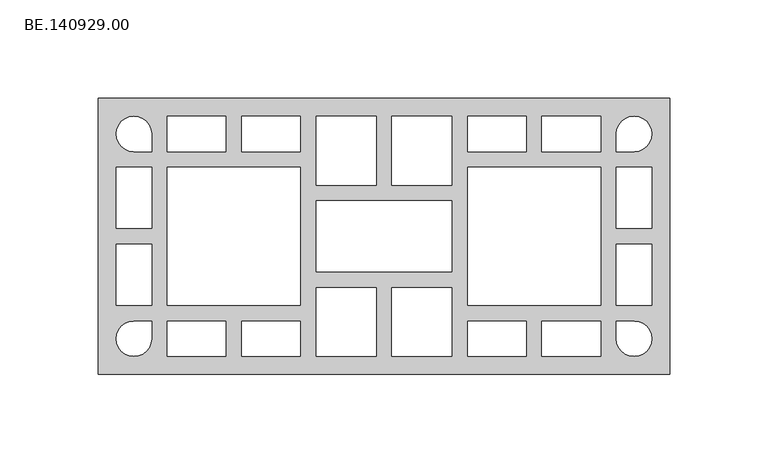
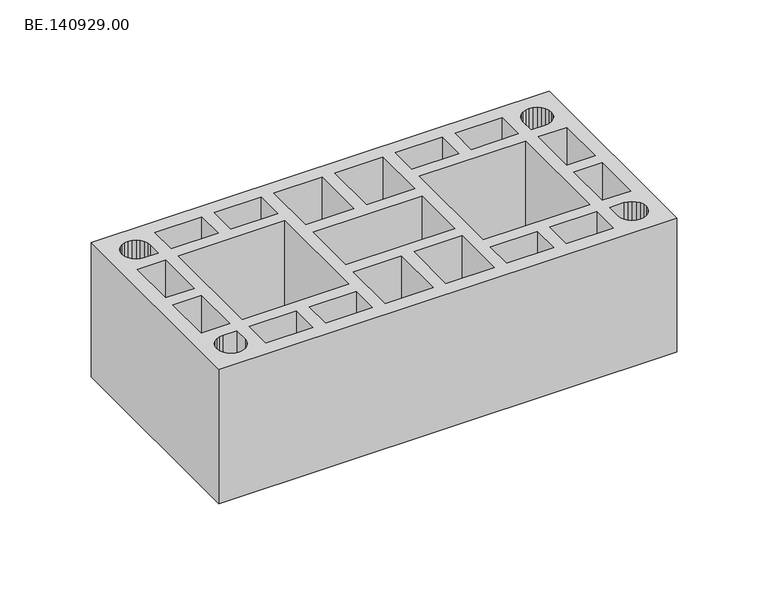
"""IFC4 building model written with IfcOpenShell, lengths in millimetres: proxy geometry, BE.140929.00."""

import ifcopenshell
import ifcopenshell.guid

model = None  # the IFC model being written
_history = None  # IfcOwnerHistory: only IFC2X3 demands one
_inside = {}  # id of a spatial element -> (the spatial element, [elements in it])
_under = {}  # id of a project, library or spatial element -> (it, [spatial elements below it])
_declared = {}  # id of a project -> (the project, [libraries it declares])
_typed = {}  # id of a type object -> (the type object, [elements of that type])
_made_of = {}  # id of a material, layer set ... -> (it, [elements and type objects made of it])


def new_model(schema):
    """Start an empty IFC model of exactly this schema.

    Asked for "IFC4X3", IfcOpenShell would pick the latest addendum, in which some entities
    have other attributes; the version numbers below select the first issue.
    IFC2X3 requires an IfcOwnerHistory on every rooted entity: one is made here for all.
    """
    global model, _history
    if schema == "IFC4X3":
        model = ifcopenshell.file(schema_version=(4, 3, 0, 0))
    else:
        model = ifcopenshell.file(schema=schema)
    _inside.clear()
    _under.clear()
    _declared.clear()
    _typed.clear()
    _made_of.clear()
    _history = None
    if model.schema == "IFC2X3":
        org = make("IfcOrganization", Name="unknown")
        user = make(
            "IfcPersonAndOrganization",
            ThePerson=make("IfcPerson", FamilyName="unknown"),
            TheOrganization=org,
        )
        app = make(
            "IfcApplication",
            ApplicationDeveloper=org,
            Version="unknown",
            ApplicationFullName="unknown",
            ApplicationIdentifier="unknown",
        )
        _history = make(
            "IfcOwnerHistory",
            OwningUser=user,
            OwningApplication=app,
            ChangeAction="ADDED",
            CreationDate=0,
        )
    return model


def make(cls, **values):
    """One entity of the class cls with the attributes given. An attribute that is None is left unset."""
    return model.create_entity(
        cls, **{name: value for name, value in values.items() if value is not None}
    )


def rooted(cls, **values):
    """An entity with a GlobalId (a new one), such as an element, a storey or a relation."""
    return make(cls, GlobalId=ifcopenshell.guid.new(), OwnerHistory=_history, **values)


def si_unit(unit_type, name, prefix=None):
    """IfcSIUnit, for example si_unit("LENGTHUNIT", "METRE", prefix="MILLI")."""
    return make("IfcSIUnit", UnitType=unit_type, Prefix=prefix, Name=name)


def assignment(units):
    """IfcUnitAssignment: the units of a project."""
    return None if units is None else make("IfcUnitAssignment", Units=units)


def point(xyz):
    """IfcCartesianPoint."""
    return None if xyz is None else make("IfcCartesianPoint", Coordinates=xyz)


def direction(xyz):
    """IfcDirection."""
    return None if xyz is None else make("IfcDirection", DirectionRatios=xyz)


def frame(location, z_axis=None, x_axis=None):
    """IfcAxis2Placement3D, a coordinate frame: its origin and axes. An axis left out is left unset."""
    return make(
        "IfcAxis2Placement3D",
        Location=point(location),
        Axis=direction(z_axis),
        RefDirection=direction(x_axis),
    )


def origin():
    """The frame at (0, 0, 0) with its axes left unset."""
    return frame((0.0, 0.0, 0.0))


def origin_with_axes():
    """The frame at (0, 0, 0) with the z axis (0, 0, 1) and the x axis (1, 0, 0) written out."""
    return frame((0.0, 0.0, 0.0), z_axis=(0.0, 0.0, 1.0), x_axis=(1.0, 0.0, 0.0))


def place(relative_to, where):
    """IfcLocalPlacement: puts the frame where relative to a parent placement (None: the world)."""
    return make(
        "IfcLocalPlacement", PlacementRelTo=relative_to, RelativePlacement=where
    )


def context(
    kind, dimensions, precision=None, world=None, true_north=None, identifier=None
):
    """IfcGeometricRepresentationContext, for example the 3D "Model" context."""
    return make(
        "IfcGeometricRepresentationContext",
        ContextIdentifier=identifier,
        ContextType=kind,
        CoordinateSpaceDimension=dimensions,
        Precision=precision,
        WorldCoordinateSystem=world,
        TrueNorth=true_north,
    )


def project(units=None, contexts=None):
    """IfcProject with its units and contexts."""
    return rooted(
        "IfcProject",
        Name="project",
        RepresentationContexts=contexts,
        UnitsInContext=assignment(units),
    )


def spatial(cls, under=None, at=None, **own):
    """A site, building, storey or space (cls), placed at a placement, below another one or the project."""
    s = rooted(cls, ObjectPlacement=at, **own)
    if under is not None:
        _under.setdefault(under.id(), (under, []))[1].append(s)
    return s


def polyline(points):
    """IfcPolyline through the points."""
    return make("IfcPolyline", Points=[point(p) for p in points])


def outline(outer, holes=None, kind="AREA"):
    """IfcArbitraryClosedProfileDef: a profile drawn as a closed curve; with holes, ...WithVoids."""
    if holes is None:
        return make("IfcArbitraryClosedProfileDef", ProfileType=kind, OuterCurve=outer)
    return make(
        "IfcArbitraryProfileDefWithVoids",
        ProfileType=kind,
        OuterCurve=outer,
        InnerCurves=holes,
    )


def extrude(swept, where, along, depth):
    """IfcExtrudedAreaSolid: the profile swept, set in the frame where, extruded along a direction by depth."""
    return make(
        "IfcExtrudedAreaSolid",
        SweptArea=swept,
        Position=where,
        ExtrudedDirection=direction(along),
        Depth=depth,
    )


def shape(context_of_items, identifier, shape_type, items):
    """IfcShapeRepresentation: the items that make up one representation, for example the "Body"."""
    return make(
        "IfcShapeRepresentation",
        ContextOfItems=context_of_items,
        RepresentationIdentifier=identifier,
        RepresentationType=shape_type,
        Items=items,
    )


def source(mapping_origin, context_of_items, identifier, shape_type, items):
    """IfcRepresentationMap: a shape defined once, which mapped items show again and again."""
    return make(
        "IfcRepresentationMap",
        MappingOrigin=mapping_origin,
        MappedRepresentation=shape(context_of_items, identifier, shape_type, items),
    )


def transform(
    local_origin,
    x_axis=None,
    y_axis=None,
    z_axis=None,
    scale=None,
    scale2=None,
    scale3=None,
    uniform=True,
):
    """IfcCartesianTransformationOperator3D, or its non-uniform kind. x_axis, y_axis, z_axis: its Axis1, 2, 3."""
    if uniform:
        return make(
            "IfcCartesianTransformationOperator3D",
            Axis1=direction(x_axis),
            Axis2=direction(y_axis),
            LocalOrigin=point(local_origin),
            Scale=scale,
            Axis3=direction(z_axis),
        )
    return make(
        "IfcCartesianTransformationOperator3DnonUniform",
        Axis1=direction(x_axis),
        Axis2=direction(y_axis),
        LocalOrigin=point(local_origin),
        Scale=scale,
        Axis3=direction(z_axis),
        Scale2=scale2,
        Scale3=scale3,
    )


def mapped(mapping_source, mapping_target):
    """IfcMappedItem: shows the shape of a source again, moved by a transform."""
    return make(
        "IfcMappedItem", MappingSource=mapping_source, MappingTarget=mapping_target
    )


def made_of(thing, what):
    """Note that an element or type object is made of a material, layer set ...; save() writes the relation."""
    if what is not None:
        _made_of.setdefault(what.id(), (what, []))[1].append(thing)
    return thing


def element(
    cls,
    number,
    at=None,
    inside=None,
    cuts=None,
    type_object=None,
    material=None,
    context=None,
    identifier="Body",
    shape_type=None,
    held_by="IfcProductDefinitionShape",
    body=None,
    shapes=None,
    **own,
):
    """One element of the class cls, such as IfcWall. Its Tag is "e" and its number.

    at: its placement. inside: the storey or other place that contains it. cuts: it is an
    opening in that element (IfcRelVoidsElement). A single representation is given by context,
    identifier, shape_type and body (its items); several are given by shapes. held_by: the class
    of the entity that holds the representations. save() writes the other relations.
    """
    e = rooted(cls, Tag="e%d" % number, ObjectPlacement=at, **own)
    if body is not None:
        shapes = [shape(context, identifier, shape_type, body)]
    if shapes is not None:
        e.Representation = make(held_by, Representations=shapes)
    if inside is not None:
        _inside.setdefault(inside.id(), (inside, []))[1].append(e)
    if cuts is not None:
        rooted(
            "IfcRelVoidsElement", RelatingBuildingElement=cuts, RelatedOpeningElement=e
        )
    if type_object is not None:
        _typed.setdefault(type_object.id(), (type_object, []))[1].append(e)
    return made_of(e, material)


def aggregate(whole, parts):
    """IfcRelAggregates: a whole, such as a stair, and the parts it consists of."""
    return rooted("IfcRelAggregates", RelatingObject=whole, RelatedObjects=parts)


def save(model, path):
    """Write the relations noted so far, then the file.

    IfcRelAggregates (storeys below a building ...), IfcRelContainedInSpatialStructure (elements
    in a storey), IfcRelDefinesByType, IfcRelAssociatesMaterial and IfcRelDeclares: one each for
    every whole, place, type object, material and project.
    """
    for whole, parts in _under.values():
        aggregate(whole, parts)
    for where, things in _inside.values():
        rooted(
            "IfcRelContainedInSpatialStructure",
            RelatedElements=things,
            RelatingStructure=where,
        )
    for kind, things in _typed.values():
        rooted("IfcRelDefinesByType", RelatedObjects=things, RelatingType=kind)
    for what, things in _made_of.values():
        rooted("IfcRelAssociatesMaterial", RelatedObjects=things, RelatingMaterial=what)
    for by, libraries in _declared.values():
        rooted("IfcRelDeclares", RelatingContext=by, RelatedDefinitions=libraries)
    model.write(path)


def be_140929_00_d87ec041(model_context):
    return source(origin(), model_context, "Body", "SweptSolid", [
        extrude(outline(polyline([(295.0, 70.0050293), (295.0, -70.0050293), (5.0, -70.0050293), (5.0, 70.0050293), (295.0, 70.0050293)]), holes=[polyline([(29.352002, 58.3592285), (27.4916504, 59.7916992), (25.3150391, 60.7032715), (22.9895996, 61.0009277), (20.6641602, 60.7032715), (18.4875488, 59.7916992), (16.6271973, 58.3592285), (15.1947266, 56.498877), (14.3017578, 54.3408691), (13.985498, 51.9968262), (14.3017578, 49.6713867), (15.1947266, 47.4947754), (16.6271973, 45.6344238), (18.4875488, 44.2019531), (20.6641602, 43.3089844), (22.9895996, 43.0113281), (31.9937012, 43.0113281), (31.9937012, 51.9968262), (31.6774414, 54.3408691), (30.7844727, 56.498877), (29.352002, 58.3592285)]), polyline([(69.7402344, 61.0009277), (39.9932129, 61.0009277), (39.9932129, 43.0113281), (69.7402344, 43.0113281), (69.7402344, 61.0009277)]), polyline([(107.4867676, 61.0009277), (77.7397461, 61.0009277), (77.7397461, 43.0113281), (107.4867676, 43.0113281), (107.4867676, 61.0009277)]), polyline([(145.9960449, 61.0009277), (115.4862793, 61.0009277), (115.4862793, 26.0077148), (145.9960449, 26.0077148), (145.9960449, 61.0009277)]), polyline([(184.4867188, 18.0082031), (115.4862793, 18.0082031), (115.4862793, -17.9895996), (184.4867188, -17.9895996), (184.4867188, 18.0082031)]), polyline([(184.4867188, 26.0077148), (184.4867188, 61.0009277), (153.9955566, 61.0009277), (153.9955566, 26.0077148), (184.4867188, 26.0077148)]), polyline([(192.4862305, 61.0009277), (192.4862305, 43.0113281), (222.233252, 43.0113281), (222.233252, 61.0009277), (192.4862305, 61.0009277)]), polyline([(259.9983887, 61.0009277), (230.2327637, 61.0009277), (230.2327637, 43.0113281), (259.9983887, 43.0113281), (259.9983887, 61.0009277)]), polyline([(269.1885254, 56.498877), (268.2955566, 54.3408691), (267.9979004, 51.9968262), (267.9979004, 43.0113281), (276.9833984, 43.0113281), (279.3274414, 43.3089844), (281.4854492, 44.2019531), (283.3458008, 45.6344238), (284.7782715, 47.4947754), (285.6898438, 49.6713867), (285.9875, 51.9968262), (285.6898438, 54.3408691), (284.7782715, 56.498877), (283.3458008, 58.3592285), (281.4854492, 59.7916992), (279.3274414, 60.7032715), (276.9833984, 61.0009277), (274.657959, 60.7032715), (272.4999512, 59.7916992), (270.6209961, 58.3592285), (269.1885254, 56.498877)]), polyline([(107.4867676, 35.0118164), (39.9932129, 35.0118164), (39.9932129, -34.9932129), (107.4867676, -34.9932129), (107.4867676, 35.0118164)]), polyline([(259.9983887, 35.0118164), (192.4862305, 35.0118164), (192.4862305, -34.9932129), (259.9983887, -34.9932129), (259.9983887, 35.0118164)]), polyline([(267.9979004, 35.0118164), (267.9979004, 3.9997559), (285.9875, 3.9997559), (285.9875, 35.0118164), (267.9979004, 35.0118164)]), polyline([(29.352002, -58.3592285), (30.7844727, -56.498877), (31.6774414, -54.3408691), (31.9937012, -51.9968262), (31.9937012, -43.0113281), (22.9895996, -43.0113281), (20.6641602, -43.3089844), (18.4875488, -44.2019531), (16.6271973, -45.6344238), (15.1947266, -47.4947754), (14.3017578, -49.6713867), (13.985498, -51.9968262), (14.3017578, -54.3408691), (15.1947266, -56.498877), (16.6271973, -58.3592285), (18.4875488, -59.7916992), (20.6641602, -60.7032715), (22.9895996, -61.0009277), (25.3150391, -60.7032715), (27.4916504, -59.7916992), (29.352002, -58.3592285)]), polyline([(69.7402344, -61.0009277), (69.7402344, -43.0113281), (39.9932129, -43.0113281), (39.9932129, -61.0009277), (69.7402344, -61.0009277)]), polyline([(107.4867676, -61.0009277), (107.4867676, -43.0113281), (77.7397461, -43.0113281), (77.7397461, -61.0009277), (107.4867676, -61.0009277)]), polyline([(145.9960449, -61.0009277), (145.9960449, -26.0077148), (115.4862793, -26.0077148), (115.4862793, -61.0009277), (145.9960449, -61.0009277)]), polyline([(184.4867188, -26.0077148), (153.9955566, -26.0077148), (153.9955566, -61.0009277), (184.4867188, -61.0009277), (184.4867188, -26.0077148)]), polyline([(192.4862305, -61.0009277), (222.233252, -61.0009277), (222.233252, -43.0113281), (192.4862305, -43.0113281), (192.4862305, -61.0009277)]), polyline([(259.9983887, -61.0009277), (259.9983887, -43.0113281), (230.2327637, -43.0113281), (230.2327637, -61.0009277), (259.9983887, -61.0009277)]), polyline([(269.1885254, -56.498877), (270.6209961, -58.3592285), (272.4999512, -59.7916992), (274.657959, -60.7032715), (276.9833984, -61.0009277), (279.3274414, -60.7032715), (281.4854492, -59.7916992), (283.3458008, -58.3592285), (284.7782715, -56.498877), (285.6898438, -54.3408691), (285.9875, -51.9968262), (285.6898438, -49.6713867), (284.7782715, -47.4947754), (283.3458008, -45.6344238), (281.4854492, -44.2019531), (279.3274414, -43.3089844), (276.9833984, -43.0113281), (267.9979004, -43.0113281), (267.9979004, -51.9968262), (268.2955566, -54.3408691), (269.1885254, -56.498877)]), polyline([(267.9979004, -35.0118164), (285.9875, -35.0118164), (285.9875, -3.9997559), (267.9979004, -3.9997559), (267.9979004, -35.0118164)]), polyline([(32.0020996, 35.0118164), (14.0125, 35.0118164), (14.0125, 3.9997559), (32.0020996, 3.9997559), (32.0020996, 35.0118164)]), polyline([(32.0020996, -35.0118164), (32.0020996, -3.9997559), (14.0125, -3.9997559), (14.0125, -35.0118164), (32.0020996, -35.0118164)])]), origin_with_axes(), (0.0, 0.0, 1.0), 90.0),
    ])


if __name__ == "__main__":
    model = new_model("IFC4")
    model_context = context("Model", 3, world=origin())
    ifc_project = project(units=[si_unit("LENGTHUNIT", "METRE", prefix="MILLI")], contexts=[model_context])
    site = spatial("IfcSite", under=ifc_project)
    building = spatial("IfcBuilding", under=site)
    placement = place(None, origin())
    be_140929_00_shape = be_140929_00_d87ec041(model_context)
    element("IfcBuildingElementProxy", 1, Name="BE.140929.00", ObjectType="BE.140929.00", at=placement, inside=building, context=model_context, shape_type="MappedRepresentation", body=[
        mapped(be_140929_00_shape, transform((0.0, 0.0, 0.0), x_axis=(1.0, 0.0, 0.0), y_axis=(0.0, 1.0, 0.0), z_axis=(0.0, 0.0, 1.0))),
    ])
    save(model, "model.ifc")
